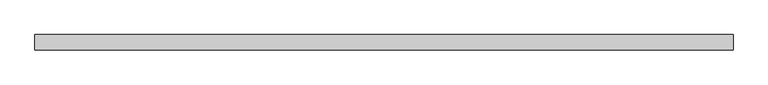
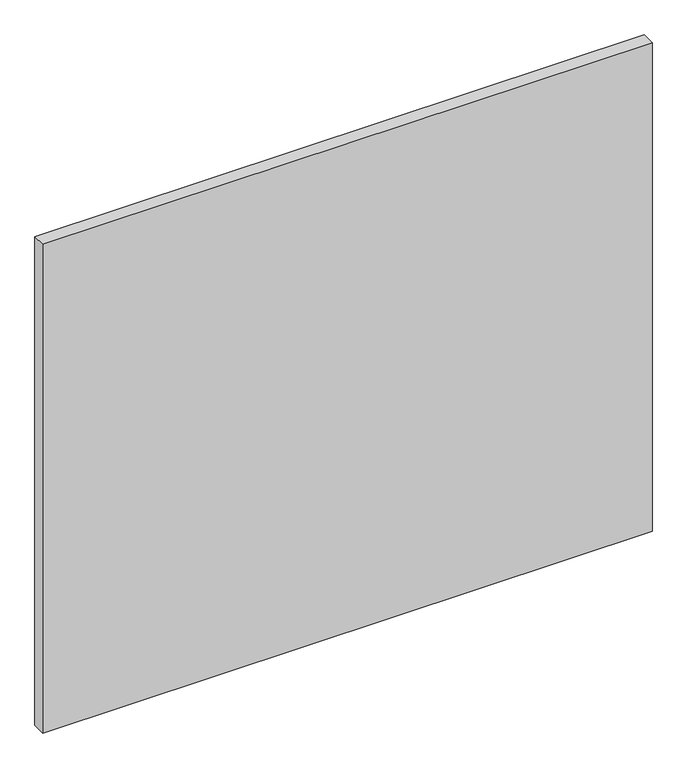
"""IFC4 building model written with IfcOpenShell, lengths in millimetres: plate geometry."""

from ifc_helpers import new_model, si_unit, origin, origin_with_axes, place, context, project, spatial, polyline, outline, extrude, source, transform, mapped, element, save


def plate_6ebf4ef4(model_context):
    return source(origin(), model_context, "Body", "SweptSolid", [
        extrude(outline(polyline([(575.0090001, 24.5), (-575.0090001, 24.5), (-575.0090001, 49.5), (575.0090001, 49.5), (575.0090001, 24.5)])), origin_with_axes(), (0.0, 0.0, 1.0), 975.0),
    ])


if __name__ == "__main__":
    model = new_model("IFC4")
    model_context = context("Model", 3, world=origin())
    ifc_project = project(units=[si_unit("LENGTHUNIT", "METRE", prefix="MILLI")], contexts=[model_context])
    site = spatial("IfcSite", under=ifc_project)
    building = spatial("IfcBuilding", under=site)
    placement = place(None, origin())
    plate_shape = plate_6ebf4ef4(model_context)
    element("IfcPlate", 1, at=placement, inside=building, context=model_context, shape_type="MappedRepresentation", body=[
        mapped(plate_shape, transform((0.0, 0.0, 0.0), x_axis=(1.0, 0.0, 0.0), y_axis=(0.0, 1.0, 0.0), z_axis=(0.0, 0.0, 1.0))),
    ])
    save(model, "model.ifc")
